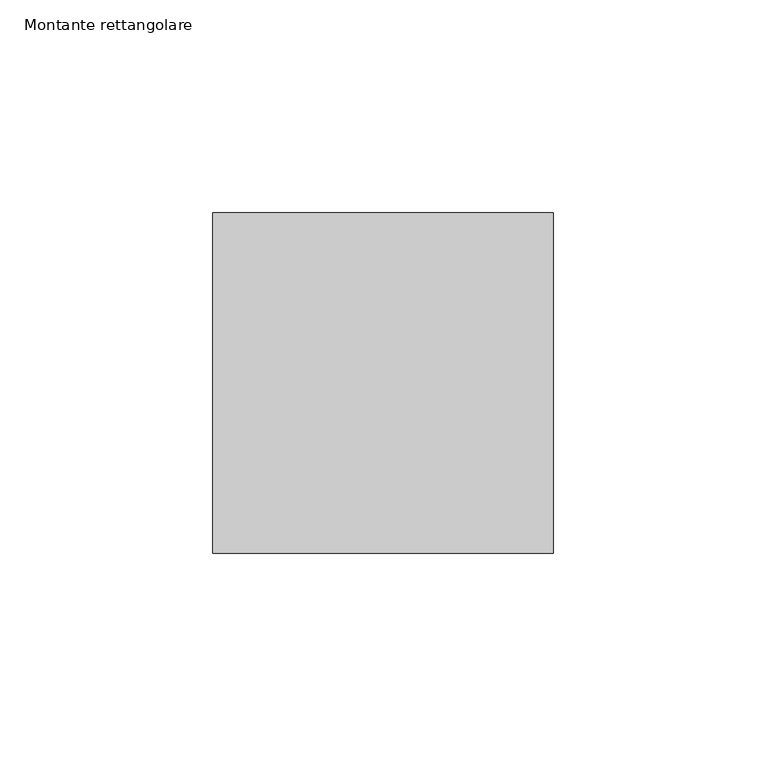
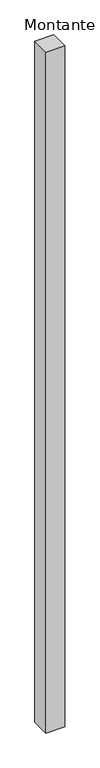
"""IFC4 building model written with IfcOpenShell, lengths in millimetres: member geometry, Montante rettangolare."""

from ifc_helpers import new_model, si_unit, frame, origin, place, context, project, spatial, polyline, outline, extrude, source, transform, mapped, element, save


def montante_rettangolare_3a742d3b(model_context):
    return source(origin(), model_context, "Body", "SweptSolid", [
        extrude(outline(polyline([(40.0, 40.0), (40.0, -40.0), (-40.0, -40.0), (-40.0, 40.0), (40.0, 40.0)])), frame((0.0, 0.0, -3041.8401516), z_axis=(0.0, 0.0, 1.0), x_axis=(1.0, 0.0, 0.0)), (0.0, 0.0, 1.0), 3041.8401516),
    ])


if __name__ == "__main__":
    model = new_model("IFC4")
    model_context = context("Model", 3, world=origin())
    ifc_project = project(units=[si_unit("LENGTHUNIT", "METRE", prefix="MILLI")], contexts=[model_context])
    site = spatial("IfcSite", under=ifc_project)
    building = spatial("IfcBuilding", under=site)
    placement = place(None, origin())
    montante_rettangolare_shape = montante_rettangolare_3a742d3b(model_context)
    element("IfcMember", 1, ObjectType="Montante rettangolare", at=placement, inside=building, context=model_context, shape_type="MappedRepresentation", body=[
        mapped(montante_rettangolare_shape, transform((0.0, 0.0, 0.0), x_axis=(1.0, 0.0, 0.0), y_axis=(0.0, 1.0, 0.0), z_axis=(0.0, 0.0, 1.0))),
    ])
    save(model, "model.ifc")
